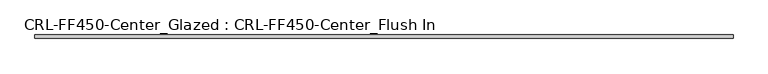
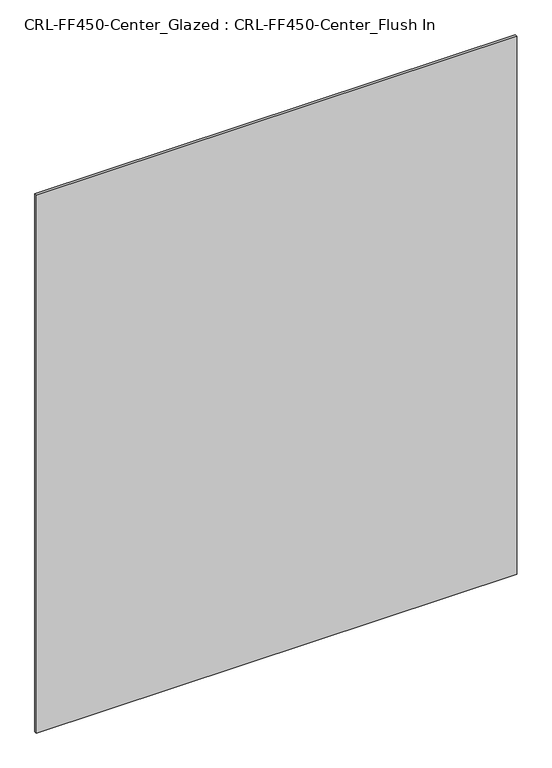
"""IFC4 building model written with IfcOpenShell, lengths in millimetres: plate geometry, CRL-FF450-Center_Glazed : CRL-FF450-Center_Flush In."""

from ifc_helpers import new_model, si_unit, origin, origin_with_axes, place, context, project, spatial, polyline, outline, extrude, source, transform, mapped, element, save


def crl_ff450_center_glazed_crl_ff450_center_flush_in_ab28f56a(model_context):
    return source(origin(), model_context, "Body", "SweptSolid", [
        extrude(outline(polyline([(623.8874901, 3.1749999), (623.8874901, -3.1749999), (-623.8874901, -3.1749999), (-623.8874901, 3.1749999), (623.8874901, 3.1749999)])), origin_with_axes(), (0.0, 0.0, 1.0), 1476.9464215),
    ])


if __name__ == "__main__":
    model = new_model("IFC4")
    model_context = context("Model", 3, world=origin())
    ifc_project = project(units=[si_unit("LENGTHUNIT", "METRE", prefix="MILLI")], contexts=[model_context])
    site = spatial("IfcSite", under=ifc_project)
    building = spatial("IfcBuilding", under=site)
    placement = place(None, origin())
    crl_ff450_center_glazed_crl_ff450_center_flush_in_shape = crl_ff450_center_glazed_crl_ff450_center_flush_in_ab28f56a(model_context)
    element("IfcPlate", 1, ObjectType="CRL-FF450-Center_Glazed : CRL-FF450-Center_Flush In", at=placement, inside=building, context=model_context, shape_type="MappedRepresentation", body=[
        mapped(crl_ff450_center_glazed_crl_ff450_center_flush_in_shape, transform((0.0, 0.0, 0.0), x_axis=(1.0, 0.0, 0.0), y_axis=(0.0, 1.0, 0.0), z_axis=(0.0, 0.0, 1.0))),
    ])
    save(model, "model.ifc")
